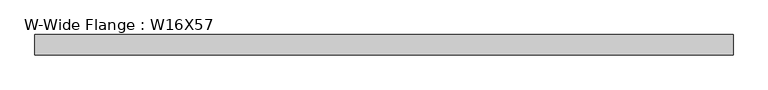
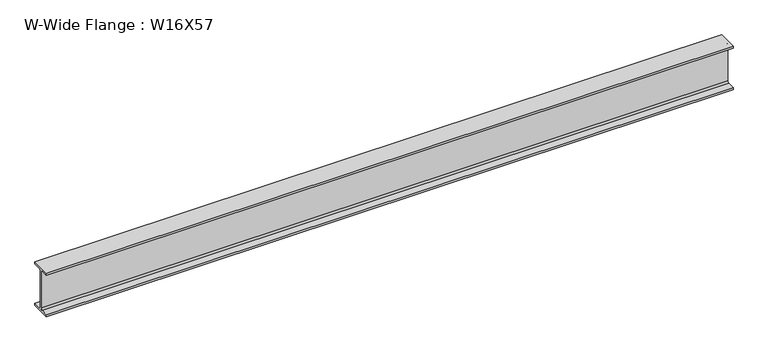
"""IFC4 building model written with IfcOpenShell, lengths in millimetres: beam geometry, W-Wide Flange : W16X57."""

from ifc_helpers import new_model, si_unit, point, frame, frame_2d, origin, place, context, project, spatial, polyline, circle_curve, trimmed, segment, composite_curve, outline, extrude, source, transform, mapped, element, save


def w_wide_flange_w16x57_ce3ca4da(model_context):
    return source(origin(), model_context, "Body", "SweptSolid", [
        extrude(outline(composite_curve([segment(polyline([(90.4, -190.1), (90.4, -208.3), (-90.4, -208.3), (-90.4, -190.1), (-22.15, -190.1)]), True, "CONTINUOUS"), segment(trimmed(circle_curve(frame_2d((-22.15, -173.4)), 16.7), [point((-22.15, -190.1))], [point((-5.45, -173.4))], True, "CARTESIAN"), True, "CONTINUOUS"), segment(polyline([(-5.45, -173.4), (-5.45, 173.4)]), True, "CONTINUOUS"), segment(trimmed(circle_curve(frame_2d((-22.15, 173.4)), 16.7), [point((-5.45, 173.4))], [point((-22.15, 190.1))], True, "CARTESIAN"), True, "CONTINUOUS"), segment(polyline([(-22.15, 190.1), (-90.4, 190.1), (-90.4, 208.3), (90.4, 208.3), (90.4, 190.1), (22.15, 190.1)]), True, "CONTINUOUS"), segment(trimmed(circle_curve(frame_2d((22.15, 173.4)), 16.7), [point((22.15, 190.1))], [point((5.45, 173.4))], True, "CARTESIAN"), True, "CONTINUOUS"), segment(polyline([(5.45, 173.4), (5.45, -173.4)]), True, "CONTINUOUS"), segment(trimmed(circle_curve(frame_2d((22.15, -173.4)), 16.7), [point((5.45, -173.4))], [point((22.15, -190.1))], True, "CARTESIAN"), True, "CONTINUOUS"), segment(polyline([(22.15, -190.1), (90.4, -190.1)]), True, "CONTINUOUS")], self_intersect=False)), frame((-1606.4797437, 0.0, 0.0), z_axis=(1.0, 0.0, 0.0), x_axis=(0.0, 1.0, 0.0)), (0.0, 0.0, 1.0), 6238.8151018),
    ])


if __name__ == "__main__":
    model = new_model("IFC4")
    model_context = context("Model", 3, world=origin())
    ifc_project = project(units=[si_unit("LENGTHUNIT", "METRE", prefix="MILLI")], contexts=[model_context])
    site = spatial("IfcSite", under=ifc_project)
    building = spatial("IfcBuilding", under=site)
    placement = place(None, origin())
    w_wide_flange_w16x57_shape = w_wide_flange_w16x57_ce3ca4da(model_context)
    element("IfcBeam", 1, ObjectType="W-Wide Flange : W16X57", at=placement, inside=building, context=model_context, shape_type="MappedRepresentation", body=[
        mapped(w_wide_flange_w16x57_shape, transform((0.0, 0.0, 0.0), x_axis=(1.0, 0.0, 0.0), y_axis=(0.0, 1.0, 0.0), z_axis=(0.0, 0.0, 1.0))),
    ])
    save(model, "model.ifc")
